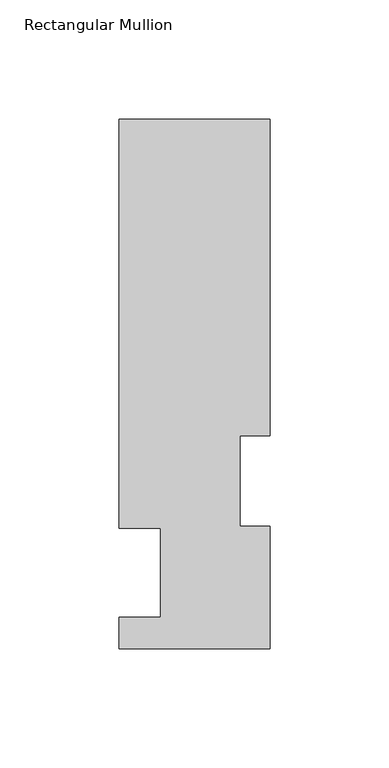
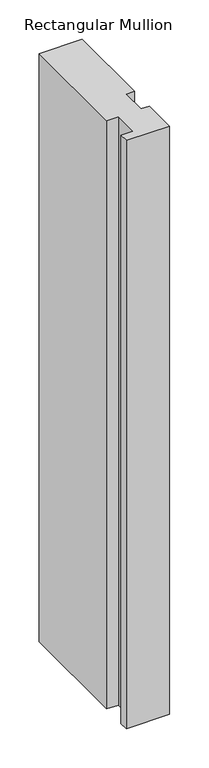
"""IFC4 building model written with IfcOpenShell, lengths in millimetres: member geometry, Rectangular Mullion."""

from ifc_helpers import new_model, si_unit, frame, origin, place, context, project, spatial, polyline, outline, extrude, source, transform, mapped, element, save


def rectangular_mullion_fee1a1f9(model_context):
    return source(origin(), model_context, "Body", "SweptSolid", [
        extrude(outline(polyline([(-31.7500002, 222.5381313), (31.7499998, 222.5381313), (31.7499998, 89.5945313), (19.0499998, 89.5945313), (19.0499998, 51.4945316), (31.7499998, 51.4945316), (31.7499998, 0.2119312), (-31.7500002, 0.2119312), (-31.7500002, 13.3945312), (-14.2747994, 13.3945312), (-14.2747994, 50.8087295), (-31.7500002, 50.8087295), (-31.7500002, 222.5381313)])), frame((0.0, 0.0, -914.4), z_axis=(0.0, 0.0, 1.0), x_axis=(1.0, 0.0, 0.0)), (0.0, 0.0, 1.0), 914.4),
    ])


if __name__ == "__main__":
    model = new_model("IFC4")
    model_context = context("Model", 3, world=origin())
    ifc_project = project(units=[si_unit("LENGTHUNIT", "METRE", prefix="MILLI")], contexts=[model_context])
    site = spatial("IfcSite", under=ifc_project)
    building = spatial("IfcBuilding", under=site)
    placement = place(None, origin())
    rectangular_mullion_shape = rectangular_mullion_fee1a1f9(model_context)
    element("IfcMember", 1, ObjectType="Rectangular Mullion", at=placement, inside=building, context=model_context, shape_type="MappedRepresentation", body=[
        mapped(rectangular_mullion_shape, transform((0.0, 0.0, 0.0), x_axis=(1.0, 0.0, 0.0), y_axis=(0.0, 1.0, 0.0), z_axis=(0.0, 0.0, 1.0))),
    ])
    save(model, "model.ifc")
